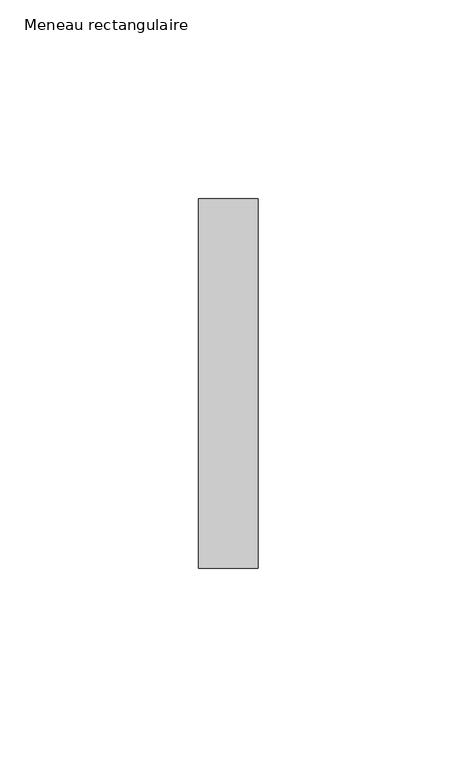
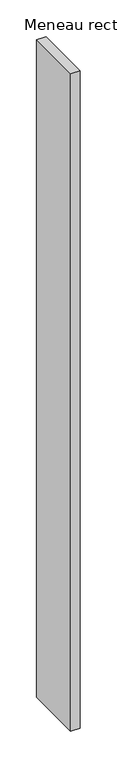
"""IFC4 building model written with IfcOpenShell, lengths in millimetres: member geometry, Meneau rectangulaire."""

from ifc_helpers import new_model, si_unit, frame, origin, place, context, project, spatial, polyline, outline, extrude, source, transform, mapped, element, save


def meneau_rectangulaire_f49b608d(model_context):
    return source(origin(), model_context, "Body", "SweptSolid", [
        extrude(outline(polyline([(0.0, 46.5), (0.0, -46.5), (-15.0, -46.5), (-15.0, 46.5), (0.0, 46.5)])), frame((0.0, 0.0, -1092.0000002), z_axis=(0.0, 0.0, 1.0), x_axis=(1.0, 0.0, 0.0)), (0.0, 0.0, 1.0), 1092.0000002),
    ])


if __name__ == "__main__":
    model = new_model("IFC4")
    model_context = context("Model", 3, world=origin())
    ifc_project = project(units=[si_unit("LENGTHUNIT", "METRE", prefix="MILLI")], contexts=[model_context])
    site = spatial("IfcSite", under=ifc_project)
    building = spatial("IfcBuilding", under=site)
    placement = place(None, origin())
    meneau_rectangulaire_shape = meneau_rectangulaire_f49b608d(model_context)
    element("IfcMember", 1, ObjectType="Meneau rectangulaire", at=placement, inside=building, context=model_context, shape_type="MappedRepresentation", body=[
        mapped(meneau_rectangulaire_shape, transform((0.0, 0.0, 0.0), x_axis=(1.0, 0.0, 0.0), y_axis=(0.0, 1.0, 0.0), z_axis=(0.0, 0.0, 1.0))),
    ])
    save(model, "model.ifc")
